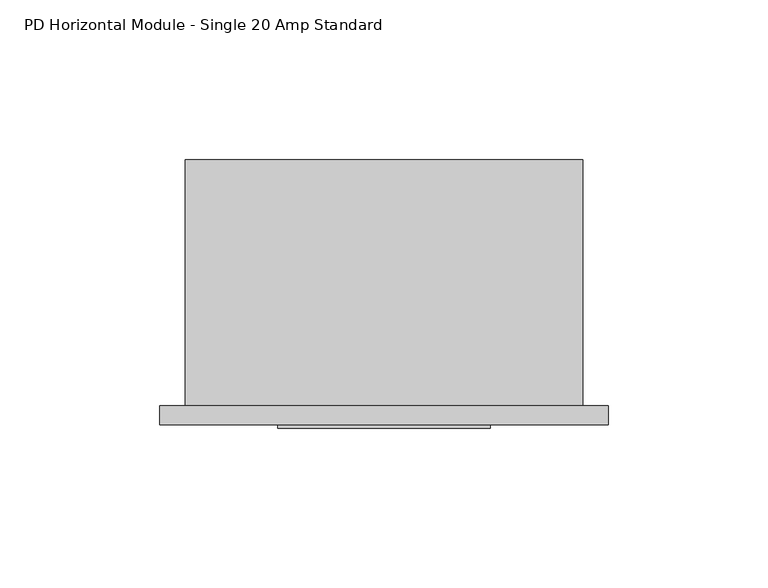
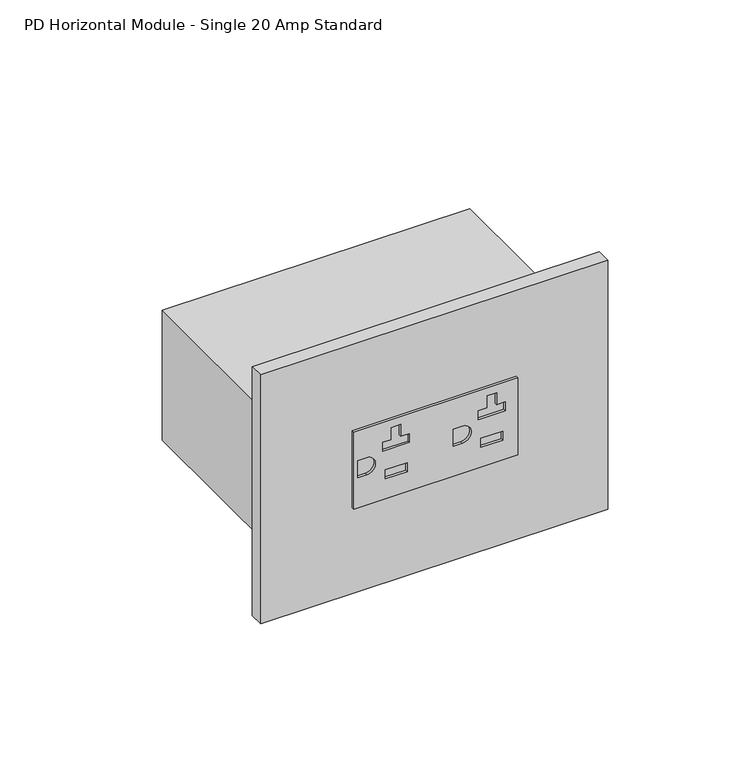
"""IFC4 building model written with IfcOpenShell, lengths in millimetres: proxy geometry, PD Horizontal Module - Single 20 Amp Standard."""

from ifc_helpers import new_model, si_unit, point, frame, frame_2d, origin, place, context, project, spatial, polyline, circle_curve, trimmed, segment, composite_curve, outline, extrude, source, transform, mapped, element, save


def pd_horizontal_module_single_20_amp_standard_525e48b1(model_context):
    return source(origin(), model_context, "Body", "SweptSolid", [
        extrude(outline(polyline([(821.7027, 95.5294), (854.6973, 95.5294), (854.6973, 28.9814), (821.7027, 28.9814), (821.7027, 95.5294)]), holes=[polyline([(842.3529, 90.3478), (842.3529, 79.5274), (846.1883, 79.5274), (846.1883, 83.0072), (851.2937, 83.0072), (851.2937, 86.868), (846.1883, 86.868), (846.1883, 90.3478), (842.3529, 90.3478)]), polyline([(830.1863, 89.3699), (830.1863, 80.5053), (834.0217, 80.5053), (834.0217, 89.3699), (830.1863, 89.3699)]), composite_curve([segment(polyline([(834.5678, 69.342), (841.8322, 69.342), (841.8322, 72.9742)]), True, "CONTINUOUS"), segment(trimmed(circle_curve(frame_2d((838.2, 72.9742)), 3.6322), [point((841.8322, 72.9742))], [point((834.5678, 72.9742))], True, "CARTESIAN"), True, "CONTINUOUS"), segment(polyline([(834.5678, 72.9742), (834.5678, 69.342)]), True, "CONTINUOUS")], self_intersect=False), polyline([(842.3529, 51.6128), (842.3529, 40.7924), (846.1883, 40.7924), (846.1883, 44.2722), (851.2937, 44.2722), (851.2937, 48.133), (846.1883, 48.133), (846.1883, 51.6128), (842.3529, 51.6128)]), polyline([(830.1863, 50.6349), (830.1863, 41.7703), (834.0217, 41.7703), (834.0217, 50.6349), (830.1863, 50.6349)]), composite_curve([segment(polyline([(834.5678, 30.607), (841.8322, 30.607), (841.8322, 34.2392)]), True, "CONTINUOUS"), segment(trimmed(circle_curve(frame_2d((838.2, 34.2392)), 3.6322), [point((841.8322, 34.2392))], [point((834.5678, 34.2392))], True, "CARTESIAN"), True, "CONTINUOUS"), segment(polyline([(834.5678, 34.2392), (834.5678, 30.607)]), True, "CONTINUOUS")], self_intersect=False)]), frame((0.0, -6.9294746, 0.0), z_axis=(0.0, 1.0, 0.0), x_axis=(0.0, 0.0, 1.0)), (0.0, 0.0, 1.0), 1.0366746),
        extrude(outline(polyline([(-7.9502, 0.0), (132.4102, 0.0), (132.4102, -5.8928), (-7.9502, -5.8928), (-7.9502, 0.0)])), frame((0.0, 0.0, 784.9108), z_axis=(0.0, 0.0, 1.0), x_axis=(1.0, 0.0, 0.0)), (0.0, 0.0, 1.0), 106.5784),
        extrude(outline(polyline([(124.46, 0.0), (0.0, 0.0), (0.0, 77.054), (124.46, 77.054), (124.46, 0.0)])), frame((0.0, 0.0, 810.4124), z_axis=(0.0, 0.0, 1.0), x_axis=(1.0, 0.0, 0.0)), (0.0, 0.0, 1.0), 55.5752),
    ])


if __name__ == "__main__":
    model = new_model("IFC4")
    model_context = context("Model", 3, world=origin())
    ifc_project = project(units=[si_unit("LENGTHUNIT", "METRE", prefix="MILLI")], contexts=[model_context])
    site = spatial("IfcSite", under=ifc_project)
    building = spatial("IfcBuilding", under=site)
    placement = place(None, origin())
    pd_horizontal_module_single_20_amp_standard_shape = pd_horizontal_module_single_20_amp_standard_525e48b1(model_context)
    element("IfcBuildingElementProxy", 1, Name="PD Horizontal Module - Single 20 Amp Standard", ObjectType="PD Horizontal Module - Single 20 Amp Standard", at=placement, inside=building, context=model_context, shape_type="MappedRepresentation", body=[
        mapped(pd_horizontal_module_single_20_amp_standard_shape, transform((0.0, 0.0, 0.0), x_axis=(1.0, 0.0, 0.0), y_axis=(0.0, 1.0, 0.0), z_axis=(0.0, 0.0, 1.0))),
    ])
    save(model, "model.ifc")
